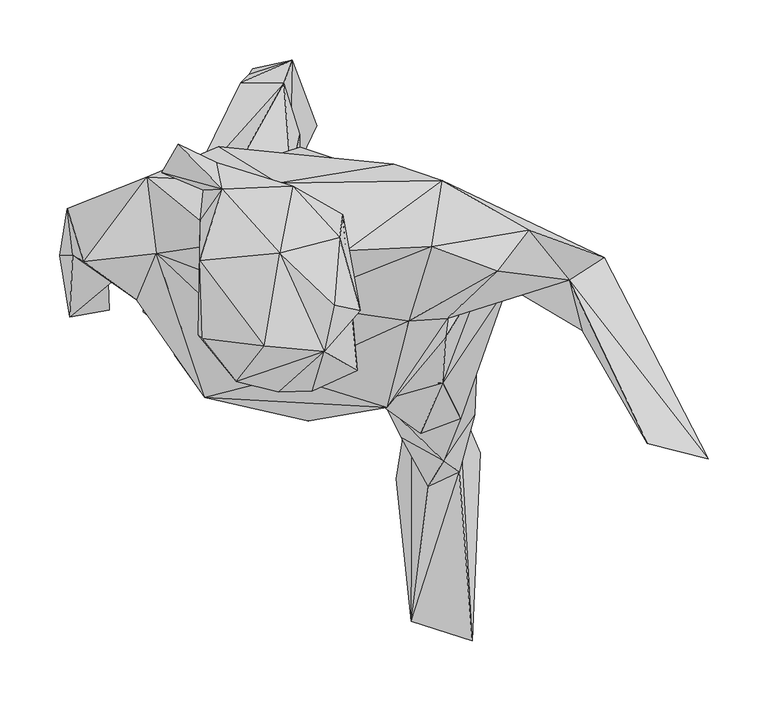
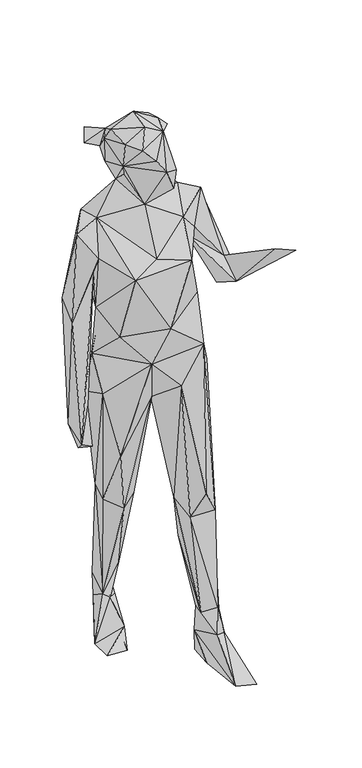
"""IFC4 building model written with IfcOpenShell, lengths in millimetres: geographic element geometry."""

from ifc_helpers import new_model, si_unit, origin, place, context, project, spatial, faceted_brep, source, transform, mapped, element, save


def geographic_element_84681434(model_context):
    return source(origin(), model_context, "Body", "Brep", [
        faceted_brep([(-2.1679266, 4.264954, 766.6381503), (-17.1856357, 53.4132787, 436.7428368), (-23.7623134, 92.5178442, 447.3248367), (-32.8753959, -61.9012482, 797.2468039), (-66.8861783, 17.04883, 429.4831402), (-16.3558123, 127.361445, 187.5930554), (-105.2787514, -35.4347672, 628.2923144), (-52.2998565, -94.7247136, 919.2339068), (34.7447428, -86.8548666, 819.9495572), (-69.7631008, 112.3107807, 118.5359642), (-113.1695644, 39.248358, 458.1415299), (-29.6959017, 170.0798997, 163.7358645), (-56.8683811, 98.8977986, 111.6776825), (-49.4309248, 45.0631188, 54.9810559), (-24.0009759, 133.579625, 91.2096936), (-119.8790506, 64.9189717, 16.7852042), (-22.6688643, 189.3785274, 86.8019451), (-122.3395601, 0.6171251, 20.8015123), (-69.2038975, -6.0524199, 22.5929708), (-58.7357313, 177.6192017, 72.2795343), (-55.631134, 182.1867205, 7.3465853), (-2.1110074, 134.7899122, 3.2234303), (-65.797723, 170.5512234, 144.0088433), (-109.4059037, 81.3696523, 476.8569709), (-146.9906252, -20.8674164, 820.0095195), (-68.9692265, 99.7136446, 486.8388116), (-143.1101245, 75.9213706, 768.9998651), (-35.7003878, 77.1056926, 754.2377617), (-16.0802042, 116.6506246, 810.2633257), (35.1102273, -49.3939774, 468.1103768), (105.7420956, 60.1247616, 778.581252), (61.450883, 90.6484861, 914.1549951), (156.5241049, 0.3455102, 805.3272863), (131.2709136, -65.4681913, 459.7412291), (136.9728131, 9.8041015, 920.6498748), (94.8185834, -19.7759659, 449.562693), (-97.1183243, 102.6944207, 901.4520534), (-19.2327348, 80.4249858, 1011.7547387), (-148.4894883, 30.3739399, 909.9939949), (-133.6525215, 35.5955395, 1038.0793682), (-120.8646506, -57.4375756, 1001.149642), (-9.3637257, -112.0811091, 1020.5821865), (102.7293714, -80.0485229, 916.4588338), (-95.7832101, -92.1204004, 1181.2363717), (105.3846018, -41.8087313, 1046.2357869), (56.0175881, -100.6772729, 1193.8395353), (-27.4131369, -74.855878, 1210.9033912), (-136.2468434, 27.7306862, 1308.9674549), (-152.3090731, -11.0473389, 1216.4984791), (-26.0460746, -14.033106, 1336.5881278), (74.6501749, -28.6024526, 1272.894486), (93.7930334, 33.8210534, 1331.4195707), (148.2777875, 13.2242533, 1309.4457226), (106.7995937, -26.5383773, 1231.3713875), (174.420742, 47.3578604, 1252.8807962), (102.5566073, 88.706239, 1299.6914226), (22.6638705, 30.082354, 1409.3050783), (208.4624593, 5.5201742, 1090.8565386), (113.726771, 26.0041353, 1175.1839969), (60.6789768, 49.7055346, 1042.3892608), (117.8489238, -109.7284393, 436.43027), (84.625027, -122.044979, 503.4273205), (53.9065816, -97.198202, 429.6838588), (103.54521, -144.9235511, 173.2044497), (68.1763506, -125.4112109, 159.044532), (129.5593365, -106.5439643, 138.1291879), (116.558759, -154.3681602, 99.99325), (90.8302281, -166.2483046, 109.0344252), (85.2681239, -70.8775214, 141.5353549), (116.4009855, -96.8616816, 69.6882075), (127.4513139, -295.4042219, 28.4167152), (76.7202368, -278.8406874, 29.3104477), (77.5001337, -76.5524721, 74.6871224), (59.5276088, -30.4368526, 332.6224346), (134.0769215, -138.5965181, 5.0438498), (85.4558562, -66.4877436, 7.4863871), (64.2758749, -160.2727751, 31.4294431), (61.982128, 102.4557563, 1206.2419504), (-34.2284772, 86.689106, 1357.5573992), (-83.8461284, 117.2407926, 1189.5186754), (199.2455398, 24.2026892, 1002.6116247), (219.1972556, -36.4782843, 1035.7186666), (237.7459526, 24.4014074, 1061.8466008), (324.1494556, -143.7602025, 1155.6227064), (273.5082771, -130.5479391, 1169.2254399), (19.4703971, 60.2955177, 1504.3942742), (-34.4301905, 74.839904, 1436.14195), (31.5492745, -69.8919213, 1452.8832256), (22.3143675, -72.4093533, 1401.8926447), (4.1750813, -53.8476624, 1567.3960254), (-5.7788076, -86.8708481, 1468.0179176), (-100.9808468, -40.3517964, 1491.644364), (-33.8140647, -87.7825532, 1512.1263079), (-69.2138812, -79.2256807, 1547.6469802), (-46.0976506, -49.3909822, 1593.2234329), (-97.6325857, -43.3355676, 1555.7135151), (-32.905351, 28.324844, 1589.289884), (-99.965288, 22.0926792, 1562.4680326), (-99.4789737, 55.3245687, 1515.6333259), (-81.0990249, 81.4555203, 1523.9087155), (12.3684656, -15.2583688, 1580.2027984), (16.8171579, 41.2365417, 1559.3354509), (-22.2424694, 84.0867971, 1526.2213757), (33.8699851, -19.8518557, 1557.980399), (-85.5636959, 103.7718864, 1480.4293926), (-95.4347092, 60.0249089, 1445.5627024), (-76.9988438, 36.6091016, 1398.5233134), (-97.1033412, 80.5797641, 1477.3605879), (-117.9417953, 119.2519352, 1518.2696393), (-131.6104217, 95.1441142, 1490.2553374), (-95.8051819, -32.8763943, 1460.7062159), (-196.4365071, 21.145025, 1286.1217101), (-143.9009887, 91.473325, 1298.8247711), (-210.4866181, 65.5360959, 1074.5047198), (-205.8791344, 26.6911608, 1023.4291427), (-147.5318503, 25.8024201, 1149.5872594), (-208.2887266, -24.9666066, 692.5152455), (-216.4271894, 26.1089854, 727.0473152), (-143.2619077, 85.914201, 1173.6641977), (-160.3247205, 74.8908287, 1010.4216212), (-176.211191, 3.1285649, 778.7520193), (-175.3484138, -19.431453, 673.91657), (-196.747092, 13.6606347, 656.3674726)], [[[0, 1, 2]], [[1, 0, 3]], [[3, 4, 1]], [[1, 5, 2]], [[1, 4, 5]], [[6, 3, 7]], [[4, 3, 6]], [[8, 3, 0]], [[3, 8, 7]], [[5, 4, 9]], [[4, 10, 9]], [[4, 6, 10]], [[5, 11, 2]], [[12, 11, 5]], [[12, 5, 9]], [[13, 14, 12]], [[15, 13, 12]], [[12, 14, 11]], [[15, 12, 9]], [[13, 16, 14]], [[16, 11, 14]], [[13, 17, 18]], [[13, 18, 16]], [[13, 15, 17]], [[15, 18, 17]], [[19, 15, 9]], [[20, 15, 19]], [[15, 21, 18]], [[15, 20, 21]], [[21, 16, 18]], [[20, 16, 21]], [[20, 19, 16]], [[11, 16, 22]], [[19, 22, 16]], [[19, 9, 22]], [[9, 23, 22]], [[23, 11, 22]], [[10, 23, 9]], [[10, 24, 23]], [[23, 25, 11]], [[26, 23, 24]], [[23, 26, 25]], [[2, 11, 25]], [[26, 27, 25]], [[27, 2, 25]], [[0, 2, 27]], [[26, 28, 27]], [[27, 28, 0]], [[0, 29, 8]], [[30, 29, 0]], [[0, 28, 30]], [[31, 28, 26]], [[30, 28, 31]], [[32, 33, 30]], [[31, 34, 30]], [[35, 30, 33]], [[29, 30, 35]], [[30, 34, 32]], [[36, 31, 26]], [[31, 37, 34]], [[31, 36, 37]], [[36, 26, 38]], [[26, 24, 38]], [[39, 37, 36]], [[38, 39, 36]], [[7, 40, 38]], [[38, 40, 39]], [[24, 7, 38]], [[7, 24, 6]], [[6, 24, 10]], [[40, 7, 41]], [[7, 42, 41]], [[8, 42, 7]], [[41, 43, 40]], [[43, 39, 40]], [[44, 41, 42]], [[44, 45, 41]], [[43, 41, 45]], [[45, 46, 43]], [[46, 47, 43]], [[43, 48, 39]], [[43, 47, 48]], [[46, 49, 47]], [[46, 45, 50]], [[46, 50, 49]], [[50, 51, 49]], [[50, 52, 51]], [[53, 52, 50]], [[45, 53, 50]], [[51, 54, 55]], [[51, 55, 56]], [[51, 56, 49]], [[52, 54, 51]], [[57, 52, 53]], [[54, 52, 57]], [[45, 58, 53]], [[53, 58, 57]], [[45, 44, 58]], [[42, 34, 44]], [[34, 59, 44]], [[58, 44, 59]], [[59, 34, 37]], [[42, 32, 34]], [[32, 42, 60]], [[42, 8, 61]], [[60, 42, 61]], [[32, 60, 33]], [[60, 62, 63]], [[33, 60, 63]], [[60, 61, 62]], [[62, 61, 8]], [[8, 29, 62]], [[62, 29, 64]], [[63, 62, 64]], [[65, 33, 63]], [[65, 63, 66]], [[63, 67, 66]], [[67, 63, 64]], [[33, 65, 35]], [[35, 65, 68]], [[65, 66, 69]], [[65, 69, 68]], [[69, 66, 70]], [[70, 66, 71]], [[71, 66, 67]], [[72, 71, 67]], [[72, 67, 68]], [[68, 67, 64]], [[73, 35, 68]], [[64, 73, 68]], [[69, 72, 68]], [[29, 35, 73]], [[73, 64, 29]], [[74, 69, 70]], [[74, 75, 69]], [[72, 69, 75]], [[70, 76, 74]], [[76, 70, 71]], [[76, 71, 72]], [[72, 75, 76]], [[74, 76, 75]], [[59, 77, 58]], [[77, 59, 37]], [[58, 77, 55]], [[55, 77, 78]], [[77, 37, 79]], [[77, 79, 78]], [[80, 58, 55]], [[81, 57, 58]], [[81, 58, 80]], [[56, 55, 78]], [[80, 55, 82]], [[54, 82, 55]], [[80, 82, 83]], [[81, 80, 83]], [[81, 83, 84]], [[84, 57, 81]], [[84, 83, 57]], [[57, 83, 82]], [[57, 82, 54]], [[85, 56, 86]], [[56, 85, 87]], [[88, 49, 56]], [[87, 88, 56]], [[56, 78, 86]], [[87, 89, 90]], [[87, 85, 89]], [[88, 87, 90]], [[49, 88, 90]], [[49, 90, 91]], [[90, 92, 91]], [[90, 89, 92]], [[89, 93, 92]], [[91, 92, 93]], [[93, 89, 94]], [[95, 91, 93]], [[94, 95, 93]], [[89, 96, 94]], [[94, 97, 95]], [[96, 97, 94]], [[98, 91, 95]], [[97, 98, 95]], [[99, 97, 96]], [[99, 98, 97]], [[100, 101, 96]], [[96, 102, 99]], [[96, 89, 100]], [[101, 102, 96]], [[85, 101, 103]], [[85, 102, 101]], [[103, 101, 100]], [[89, 103, 100]], [[89, 85, 103]], [[102, 85, 86]], [[102, 104, 99]], [[86, 104, 102]], [[105, 86, 106]], [[104, 86, 107]], [[106, 86, 78]], [[105, 107, 86]], [[104, 108, 99]], [[104, 107, 109]], [[104, 109, 108]], [[99, 109, 107]], [[98, 99, 107]], [[105, 98, 107]], [[105, 91, 98]], [[105, 106, 91]], [[106, 110, 91]], [[110, 49, 91]], [[106, 49, 110]], [[47, 49, 106]], [[47, 111, 48]], [[47, 112, 111]], [[106, 112, 47]], [[113, 111, 112]], [[111, 114, 48]], [[114, 111, 113]], [[115, 48, 114]], [[115, 39, 48]], [[115, 114, 116]], [[114, 117, 116]], [[113, 117, 114]], [[112, 118, 113]], [[117, 113, 119]], [[113, 118, 119]], [[120, 117, 119]], [[117, 121, 122]], [[117, 122, 116]], [[121, 117, 120]], [[120, 119, 115]], [[119, 118, 115]], [[115, 116, 120]], [[120, 116, 121]], [[118, 39, 115]], [[118, 37, 39]], [[118, 112, 79]], [[79, 37, 118]], [[112, 78, 79]], [[106, 78, 112]], [[121, 116, 122]], [[109, 99, 108]]]),
    ])


if __name__ == "__main__":
    model = new_model("IFC4")
    model_context = context("Model", 3, world=origin())
    ifc_project = project(units=[si_unit("LENGTHUNIT", "METRE", prefix="MILLI")], contexts=[model_context])
    site = spatial("IfcSite", under=ifc_project)
    building = spatial("IfcBuilding", under=site)
    placement = place(None, origin())
    geographic_element_shape = geographic_element_84681434(model_context)
    element("IfcGeographicElement", 1, at=placement, inside=building, context=model_context, shape_type="MappedRepresentation", body=[
        mapped(geographic_element_shape, transform((0.0, 0.0, 0.0), x_axis=(1.0, 0.0, 0.0), y_axis=(0.0, 1.0, 0.0), z_axis=(0.0, 0.0, 1.0))),
    ])
    save(model, "model.ifc")
